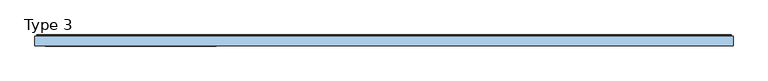
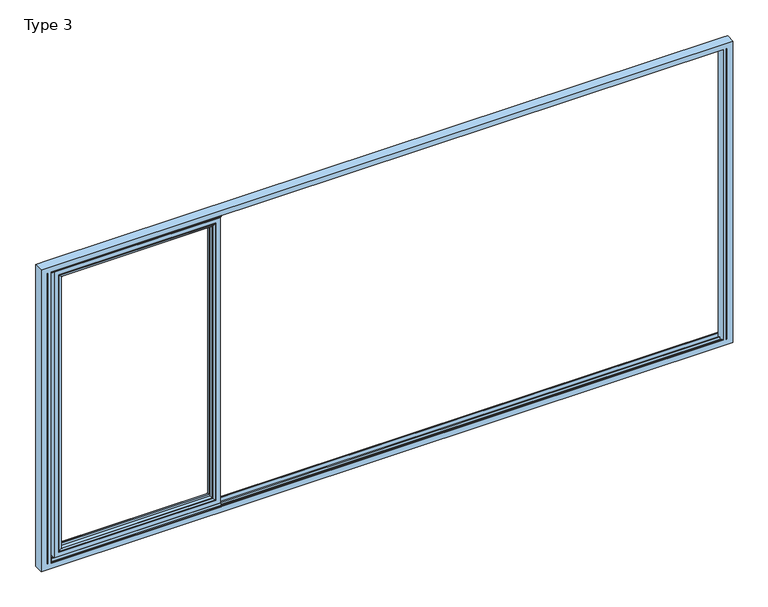
"""IFC4 building model written with IfcOpenShell, lengths in millimetres: window geometry, Type 3."""

from ifc_helpers import new_model, si_unit, point, frame, frame_2d, origin, place, context, project, spatial, polyline, circle_curve, ellipse_curve, trimmed, segment, composite_curve, outline, extrude, source, transform, mapped, element, save
from ifc_brep_helpers import plane_surface, cylinder_surface, advanced_brep


def type_3_df48b3a0(model_context):
    return source(origin(), model_context, "Body", "SolidModel", [
        advanced_brep(
        [(-1303.4245728, -64.5552044, 2283.0004272), (-1303.4245728, -37.9928974, 2283.0004272), (-1303.4245728, -37.9928974, 128.9995728), (-1303.4245728, -64.5552044, 128.9995728), (-1281.425, -37.9928974, 2305.0), (-1281.425, -37.9928974, 107.0), (-2459.5, -37.9928974, 107.0), (-2459.5, -37.9928974, 2305.0), (-2437.5004272, -37.9928974, 2283.0004272), (-2437.5004272, -37.9928974, 128.9995728), (-2437.5004272, -64.5552044, 128.9995728), (-1302.7150293, -65.8045072, 2283.7099707), (-1302.7150293, -65.8045072, 128.2900293), (-2438.2099707, -65.8045072, 128.2900293), (-1287.424939, -70.0, 2299.000061), (-1287.424939, -70.0, 112.999939), (-2453.500061, -70.0, 112.999939), (-2459.5, -70.0, 2305.0), (-2459.5, -70.0, 107.0), (-1281.425, -70.0, 107.0), (-1281.425, -70.0, 2305.0), (-2453.500061, -70.0, 2299.000061), (-2437.5004272, -64.5552044, 2283.0004272), (-2438.2099707, -65.8045072, 2283.7099707)],
        [
            (0, 1),
            (1, 2),
            (2, 3),
            (3, 0),
            (4, 5),
            (5, 6),
            (6, 7),
            (7, 4),
            (8, 9),
            (9, 2),
            (1, 8),
            (9, 10),
            (10, 3),
            (11, 0, ellipse_curve(frame((-1301.9699688, -64.5552044, 2284.4550312), z_axis=(0.7071067811865475, 0.0, -0.7071067811865475), x_axis=(0.7071067811865474, 0.0, 0.7071067811865476)), 2.0571207, 1.454604)),
            (3, 12, ellipse_curve(frame((-1301.9699688, -64.5552044, 127.5449688), z_axis=(0.7071067811865475, 0.0, 0.7071067811865475), x_axis=(-0.7071067811865474, 0.0, 0.7071067811865476)), 2.0571207, 1.454604)),
            (12, 11),
            (10, 13, ellipse_curve(frame((-2438.9550312, -64.5552044, 127.5449688), z_axis=(0.7071067811865475, 0.0, -0.7071067811865475), x_axis=(0.7071067811865476, 0.0, 0.7071067811865474)), 2.0571207, 1.454604)),
            (13, 12),
            (14, 11, ellipse_curve(frame((-1287.4888746, -40.2735922, 2298.9361254), z_axis=(0.7071067811865475, 0.0, -0.7071067811865475), x_axis=(0.7071067811865474, 0.0, 0.7071067811865476)), 42.0395863, 29.7264765)),
            (12, 15, ellipse_curve(frame((-1287.4888746, -40.2735922, 113.0638746), z_axis=(0.7071067811865475, 0.0, 0.7071067811865475), x_axis=(-0.7071067811865474, 0.0, 0.7071067811865476)), 42.0395863, 29.7264765)),
            (15, 14),
            (13, 16, ellipse_curve(frame((-2453.4361254, -40.2735922, 113.0638746), z_axis=(0.7071067811865475, 0.0, -0.7071067811865475), x_axis=(0.7071067811865476, 0.0, 0.7071067811865474)), 42.0395863, 29.7264765)),
            (16, 15),
            (17, 18),
            (18, 19),
            (19, 20),
            (20, 17),
            (16, 21),
            (21, 14),
            (4, 20),
            (19, 5),
            (18, 6),
            (8, 22),
            (22, 10),
            (22, 23, ellipse_curve(frame((-2438.9550312, -64.5552044, 2284.4550312), z_axis=(-0.7071067811865475, 0.0, -0.7071067811865475), x_axis=(0.7071067811865474, 0.0, -0.7071067811865476)), 2.0571207, 1.454604)),
            (23, 13),
            (23, 21, ellipse_curve(frame((-2453.4361254, -40.2735922, 2298.9361254), z_axis=(-0.7071067811865475, 0.0, -0.7071067811865475), x_axis=(0.7071067811865474, 0.0, -0.7071067811865476)), 42.0395863, 29.7264765)),
            (17, 7),
            (0, 22),
            (11, 23),
        ],
        [
            plane_surface(frame((-1303.4245728, -37.9928974, 2283.0004272), z_axis=(-1.0, 0.0, 0.0), x_axis=(0.0, 0.0, -1.0))),
            plane_surface(frame((-2459.5, -37.9928974, 107.0), z_axis=(0.0, 1.0, 0.0), x_axis=(0.0, 0.0, 1.0))),
            plane_surface(frame((-1303.4245728, -37.9928974, 128.9995728), z_axis=(0.0, 0.0, 1.0), x_axis=(-1.0, 0.0, 0.0))),
            cylinder_surface(frame((-1301.9699688, -64.5552044, 2283.0004272), z_axis=(0.0, 0.0, 1.0), x_axis=(1.0, 0.0, 0.0)), 1.454604),
            cylinder_surface(frame((-1303.4245728, -64.5552044, 127.5449688), z_axis=(1.0, 0.0, 0.0), x_axis=(0.0, 0.0, -1.0)), 1.454604),
            cylinder_surface(frame((-1287.4888746, -40.2735922, 2283.0004272), z_axis=(0.0, 0.0, 1.0), x_axis=(1.0, 0.0, 0.0)), 29.7264765),
            cylinder_surface(frame((-1303.4245728, -40.2735922, 113.0638746), z_axis=(1.0, 0.0, 0.0), x_axis=(0.0, 0.0, -1.0)), 29.7264765),
            plane_surface(frame((-2453.500061, -70.0, 112.999939), z_axis=(0.0, -1.0, 0.0), x_axis=(0.0, 0.0, 1.0))),
            plane_surface(frame((-1281.425, -70.0, 2305.0), z_axis=(1.0, 0.0, 0.0), x_axis=(0.0, 0.0, -1.0))),
            plane_surface(frame((-1281.425, -70.0, 107.0), z_axis=(0.0, 0.0, -1.0), x_axis=(-1.0, 0.0, 0.0))),
            plane_surface(frame((-2437.5004272, -37.9928974, 128.9995728), z_axis=(1.0, 0.0, 0.0), x_axis=(0.0, 0.0, 1.0))),
            cylinder_surface(frame((-2438.9550312, -64.5552044, 128.9995728), z_axis=(0.0, 0.0, -1.0), x_axis=(-1.0, 0.0, 0.0)), 1.454604),
            cylinder_surface(frame((-2453.4361254, -40.2735922, 128.9995728), z_axis=(0.0, 0.0, -1.0), x_axis=(-1.0, 0.0, 0.0)), 29.7264765),
            plane_surface(frame((-2459.5, -70.0, 107.0), z_axis=(-1.0, 0.0, 0.0), x_axis=(0.0, 0.0, 1.0))),
            plane_surface(frame((-2437.5004272, -37.9928974, 2283.0004272), z_axis=(0.0, 0.0, -1.0), x_axis=(1.0, 0.0, 0.0))),
            cylinder_surface(frame((-2437.5004272, -64.5552044, 2284.4550312), z_axis=(-1.0, 0.0, 0.0), x_axis=(0.0, 0.0, 1.0)), 1.454604),
            cylinder_surface(frame((-2437.5004272, -40.2735922, 2298.9361254), z_axis=(-1.0, 0.0, 0.0), x_axis=(0.0, 0.0, 1.0)), 29.7264765),
            plane_surface(frame((-2459.5, -70.0, 2305.0), z_axis=(0.0, 0.0, 1.0), x_axis=(1.0, 0.0, 0.0))),
        ],
        [
            (0, [[1, 2, 3, 4]]),
            (1, [[5, 6, 7, 8], [9, 10, -2, 11]]),
            (2, [[-3, -10, 12, 13]]),
            (3, [[14, -4, 15, 16]]),
            (4, [[-15, -13, 17, 18]]),
            (5, [[19, -16, 20, 21]]),
            (6, [[-20, -18, 22, 23]]),
            (7, [[24, 25, 26, 27], [-21, -23, 28, 29]]),
            (8, [[30, -26, 31, -5]]),
            (9, [[-31, -25, 32, -6]]),
            (10, [[-12, -9, 33, 34]]),
            (11, [[-17, -34, 35, 36]]),
            (12, [[-22, -36, 37, -28]]),
            (13, [[-32, -24, 38, -7]]),
            (14, [[-33, -11, -1, 39]]),
            (15, [[-35, -39, -14, 40]]),
            (16, [[-37, -40, -19, -29]]),
            (17, [[-38, -27, -30, -8]]),
        ],
    ),
        advanced_brep(
        [(-2491.5, -70.0, 2337.0), (-2491.5, 0.0, 2337.0), (-2491.5, 0.0, 75.0), (-2491.5, -70.0, 75.0), (-1249.425, 0.0, 75.0), (-1249.425, -70.0, 75.0), (-1249.425, 0.0, 2337.0), (-1298.9241901, 0.0, 124.4991901), (-1298.9241901, 0.0, 2287.5008099), (-2442.0008099, 0.0, 2287.5008099), (-2442.0008099, 0.0, 124.4991901), (-1249.425, -70.0, 2337.0), (-2459.5, -70.0, 107.0), (-2459.5, -70.0, 2305.0), (-1281.425, -70.0, 2305.0), (-1281.425, -70.0, 107.0), (-2459.5, -13.999939, 2305.0), (-2459.5, -13.999939, 107.0), (-1281.425, -13.999939, 107.0), (-1281.425, -13.999939, 2305.0), (-2437.5004272, -13.999939, 128.9995728), (-2437.5004272, -13.999939, 2283.0004272), (-1303.4245728, -13.999939, 2283.0004272), (-1303.4245728, -13.999939, 128.9995728), (-2437.5004272, -4.5004435, 2283.0004272), (-2437.5004272, -4.5004435, 128.9995728), (-1303.4245728, -4.5004435, 128.9995728), (-1303.4245728, -4.5004435, 2283.0004272)],
        [
            (0, 1),
            (1, 2),
            (2, 3),
            (3, 0),
            (2, 4),
            (4, 5),
            (5, 3),
            (1, 6),
            (6, 4),
            (7, 8),
            (8, 9),
            (9, 10),
            (10, 7),
            (6, 11),
            (11, 5),
            (11, 0),
            (12, 13),
            (13, 14),
            (14, 15),
            (15, 12),
            (16, 13),
            (12, 17),
            (17, 16),
            (15, 18),
            (18, 17),
            (14, 19),
            (19, 18),
            (19, 16),
            (20, 21),
            (21, 22),
            (22, 23),
            (23, 20),
            (24, 21),
            (20, 25),
            (25, 24),
            (23, 26),
            (26, 25),
            (22, 27),
            (27, 26),
            (10, 25, ellipse_curve(frame((-2442.0008099, -4.5004435, 124.4991901), z_axis=(0.7071067811865475, 0.0, -0.7071067811865475), x_axis=(-0.7071067811865476, 0.0, -0.7071067811865474)), 6.3645023, 4.5003827)),
            (26, 7, ellipse_curve(frame((-1298.9241901, -4.5004435, 124.4991901), z_axis=(-0.7071067811865475, 0.0, -0.7071067811865475), x_axis=(-0.7071067811865476, 0.0, 0.7071067811865474)), 6.3645023, 4.5003827)),
            (9, 24, ellipse_curve(frame((-2442.0008099, -4.5004435, 2287.5008099), z_axis=(-0.7071067811865475, 0.0, -0.7071067811865475), x_axis=(-0.7071067811865474, 0.0, 0.7071067811865476)), 6.3645023, 4.5003827)),
            (27, 8, ellipse_curve(frame((-1298.9241901, -4.5004435, 2287.5008099), z_axis=(0.7071067811865475, 0.0, -0.7071067811865475), x_axis=(-0.7071067811865474, 0.0, -0.7071067811865476)), 6.3645023, 4.5003827)),
            (24, 27),
        ],
        [
            plane_surface(frame((-2491.5, 0.0, 2337.0), z_axis=(-1.0, 0.0, 0.0), x_axis=(0.0, 0.0, -1.0))),
            plane_surface(frame((-2491.5, 0.0, 75.0), z_axis=(0.0, 0.0, -1.0), x_axis=(1.0, 0.0, 0.0))),
            plane_surface(frame((-2442.0008099, 0.0, 2287.5008099), z_axis=(0.0, 1.0, 0.0), x_axis=(0.0, 0.0, -1.0))),
            plane_surface(frame((-1249.425, 0.0, 75.0), z_axis=(1.0, 0.0, 0.0), x_axis=(0.0, 0.0, 1.0))),
            plane_surface(frame((-2491.5, -70.0, 2337.0), z_axis=(0.0, -1.0, 0.0), x_axis=(0.0, 0.0, -1.0))),
            plane_surface(frame((-2459.5, -70.0, 2305.0), z_axis=(1.0, 0.0, 0.0), x_axis=(0.0, 0.0, -1.0))),
            plane_surface(frame((-2459.5, -70.0, 107.0), z_axis=(0.0, 0.0, 1.0), x_axis=(1.0, 0.0, 0.0))),
            plane_surface(frame((-1281.425, -70.0, 107.0), z_axis=(-1.0, 0.0, 0.0), x_axis=(0.0, 0.0, 1.0))),
            plane_surface(frame((-2459.5, -13.999939, 2305.0), z_axis=(0.0, -1.0, 0.0), x_axis=(0.0, 0.0, -1.0))),
            plane_surface(frame((-2437.5004272, -13.999939, 2283.0004272), z_axis=(1.0, 0.0, 0.0), x_axis=(0.0, 0.0, -1.0))),
            plane_surface(frame((-2437.5004272, -13.999939, 128.9995728), z_axis=(0.0, 0.0, 1.0), x_axis=(1.0, 0.0, 0.0))),
            plane_surface(frame((-1303.4245728, -13.999939, 128.9995728), z_axis=(-1.0, 0.0, 0.0), x_axis=(0.0, 0.0, 1.0))),
            cylinder_surface(frame((-2497.5, -4.5004435, 124.4991901), z_axis=(-1.0, 0.0, 0.0), x_axis=(0.0, -1.0, 0.0)), 4.5003827),
            cylinder_surface(frame((-2442.0008099, -4.5004435, 2343.0), z_axis=(0.0, 0.0, 1.0), x_axis=(0.0, -1.0, 0.0)), 4.5003827),
            cylinder_surface(frame((-1298.9241901, -4.5004435, 69.0), z_axis=(0.0, 0.0, -1.0), x_axis=(0.0, -1.0, 0.0)), 4.5003827),
            plane_surface(frame((-1249.425, 0.0, 2337.0), z_axis=(0.0, 0.0, 1.0), x_axis=(-1.0, 0.0, 0.0))),
            plane_surface(frame((-1281.425, -70.0, 2305.0), z_axis=(0.0, 0.0, -1.0), x_axis=(-1.0, 0.0, 0.0))),
            plane_surface(frame((-1303.4245728, -13.999939, 2283.0004272), z_axis=(0.0, 0.0, -1.0), x_axis=(-1.0, 0.0, 0.0))),
            cylinder_surface(frame((-1243.425, -4.5004435, 2287.5008099), z_axis=(1.0, 0.0, 0.0), x_axis=(0.0, -1.0, 0.0)), 4.5003827),
        ],
        [
            (0, [[1, 2, 3, 4]]),
            (1, [[-3, 5, 6, 7]]),
            (2, [[-2, 8, 9, -5], [10, 11, 12, 13]]),
            (3, [[-6, -9, 14, 15]]),
            (4, [[-15, 16, -4, -7], [17, 18, 19, 20]]),
            (5, [[21, -17, 22, 23]]),
            (6, [[-22, -20, 24, 25]]),
            (7, [[-24, -19, 26, 27]]),
            (8, [[-27, 28, -23, -25], [29, 30, 31, 32]]),
            (9, [[33, -29, 34, 35]]),
            (10, [[-34, -32, 36, 37]]),
            (11, [[-36, -31, 38, 39]]),
            (12, [[40, -37, 41, -13]]),
            (13, [[42, -35, -40, -12]]),
            (14, [[-41, -39, 43, -10]]),
            (15, [[-14, -8, -1, -16]]),
            (16, [[-26, -18, -21, -28]]),
            (17, [[-38, -30, -33, 44]]),
            (18, [[-43, -44, -42, -11]]),
        ],
    ),
        extrude(outline(polyline([(-2514.0, -7.6000076), (-2514.0, 0.0), (-1243.425, 0.0), (-1243.425, -7.6000076), (-2514.0, -7.6000076)])), frame((0.0, 0.0, 52.9995117), z_axis=(0.0, 0.0, 1.0), x_axis=(1.0, 0.0, 0.0)), (0.0, 0.0, 1.0), 22.0004883),
        extrude(outline(composite_curve([segment(polyline([(-70.0, 45.0), (-70.0, 41.2896854), (-70.8737, 41.2896854), (-71.8670103, 44.9870904)]), True, "CONTINUOUS"), segment(trimmed(circle_curve(frame_2d((-69.9354978, 45.5059925)), 2.0), [point((-71.8670103, 44.9870904))], [point((-71.8566157, 46.0621453))], False, "CARTESIAN"), True, "CONTINUOUS"), segment(polyline([(-71.8566157, 46.0621453), (-70.0, 52.4754501), (-70.0, 75.0), (-62.2757497, 75.0), (-62.2757497, 45.0), (-70.0, 45.0)]), True, "CONTINUOUS")], self_intersect=False)), frame((-2514.0, 0.0, 0.0), z_axis=(1.0, 0.0, 0.0), x_axis=(0.0, 1.0, 0.0)), (0.0, 0.0, 1.0), 1270.575),
        extrude(outline(composite_curve([segment(polyline([(-52.044326, 2339.1400778), (-52.044326, 2337.0), (-70.0, 2337.0), (-71.8735116, 2343.9547971)]), True, "CONTINUOUS"), segment(trimmed(circle_curve(frame_2d((-69.9423544, 2344.4750201)), 2.0), [point((-71.8735116, 2343.9547971))], [point((-71.8738669, 2344.9939222))], False, "CARTESIAN"), True, "CONTINUOUS"), segment(polyline([(-71.8738669, 2344.9939222), (-70.8937897, 2348.6420698), (-70.0, 2348.6420698), (-70.0, 2342.963961), (-68.6363596, 2339.1400778), (-52.044326, 2339.1400778)]), True, "CONTINUOUS")], self_intersect=False)), frame((-2514.0, 0.0, 0.0), z_axis=(1.0, 0.0, 0.0), x_axis=(0.0, 1.0, 0.0)), (0.0, 0.0, 1.0), 1270.575),
        advanced_brep(
        [(-2545.0, -70.0, 45.0), (-2545.0, -66.5, 45.0), (-2545.0, -66.4999084, 2345.0), (-2545.0, -70.0, 2345.0), (-2540.0003662, -70.0, 45.0), (-2540.0003662, -66.5, 45.0), (2545.0, -70.0, 45.0), (2545.0, -66.5, 45.0), (2540.0003662, -66.4999084, 45.0), (2540.0003662, -70.0, 45.0), (-2514.0001526, -66.5, 45.0), (-2514.0001526, -70.0, 45.0), (2518.7961345, -70.0, 45.0), (2518.7961345, -66.5, 45.0), (-2590.0, -70.0, 2390.0), (-2590.0, -70.0, 0.0), (2590.0, -70.0, 0.0), (2590.0, -70.0, 2390.0), (-2540.0003662, -70.0, 2345.0), (2545.0, -70.0, 2345.0), (2540.0003662, -70.0, 2345.0), (-2514.0001526, -70.0, 2345.0), (2518.7961345, -70.0, 2345.0), (-2540.0003662, -66.5, 2345.0), (2545.0, -66.5, 2345.0), (2540.0003662, -66.4999084, 2345.0), (-2514.0001526, -66.5, 24.0002136), (-2514.0001526, -55.8499756, 24.0002136), (-2514.0001526, -55.8499756, 40.999939), (-2514.0001526, -46.25, 40.999939), (-2514.0001526, -46.25, 24.0002136), (-2514.0001526, -23.7500839, 24.0002136), (-2514.0001526, -23.7500839, 40.999939), (-2514.0001526, -14.1501312, 40.999939), (-2514.0001526, -14.1501312, 24.0002136), (-2514.0001526, 0.0, 24.0002136), (-2514.0001526, 0.0, 59.9999084), (-2514.0001526, 0.0, 2330.0000916), (-2514.0001526, 0.0, 2365.9997864), (-2514.0001526, -14.1501312, 2365.9997864), (-2514.0001526, -14.1501312, 2349.000061), (-2514.0001526, -23.7500839, 2349.000061), (-2514.0001526, -23.7500839, 2365.9997864), (-2514.0001526, -46.25, 2365.9997864), (-2514.0001526, -46.25, 2349.000061), (-2514.0001526, -55.8499756, 2349.000061), (-2514.0001526, -55.8499756, 2365.9997864), (-2514.0001526, -66.5, 2365.9997864), (-2514.0001526, -66.5, 2345.0), (2518.7961345, -66.5, 2345.0), (2518.7961345, -66.5, 2365.9997864), (2518.7961345, -55.8499756, 2365.9997864), (2518.7961345, -55.8499756, 2349.000061), (2518.7961345, -46.25, 2349.000061), (2518.7961345, -46.25, 2365.9997864), (2518.7961345, -23.7500839, 2365.9997864), (2518.7961345, -23.7500839, 2349.000061), (2518.7961345, -14.1501312, 2349.000061), (2518.7961345, -14.1501312, 2365.9997864), (2518.7961345, 0.0, 2365.9997864), (2518.7961345, 0.0, 2330.0000916), (2518.7961345, 0.0, 59.9999084), (2518.7961345, 0.0, 24.0002136), (2518.7961345, -14.1501312, 24.0002136), (2518.7961345, -14.1501312, 40.999939), (2518.7961345, -23.7500839, 40.999939), (2518.7961345, -23.7500839, 24.0002136), (2518.7961345, -46.25, 24.0002136), (2518.7961345, -46.25, 40.999939), (2518.7961345, -55.8499756, 40.999939), (2518.7961345, -55.8499756, 24.0002136), (2518.7961345, -66.5, 24.0002136), (-2590.0, 0.0, 0.0), (-2565.9997864, 0.0, 0.0), (-2514.0001526, 0.0, 0.0), (2518.7961345, 0.0, 0.0), (2565.9997864, 0.0, 0.0), (2590.0, 0.0, 0.0), (-2590.0, 0.0, 2390.0), (-2565.9997864, 0.0, 2390.0), (-2514.0001526, 0.0, 2390.0), (2518.7961345, 0.0, 2390.0), (2565.9997864, 0.0, 2390.0), (2590.0, 0.0, 2390.0), (-2577.999939, 0.0, 2377.999939), (-2577.999939, 0.0, 12.000061), (-2565.9997864, 0.0, 12.000061), (-2514.0001526, 0.0, 12.000061), (2518.7961345, 0.0, 12.000061), (2565.9997864, 0.0, 12.000061), (2577.999939, 0.0, 12.000061), (2577.999939, 0.0, 2377.999939), (2565.9997864, 0.0, 2377.999939), (2518.7961345, 0.0, 2377.999939), (-2514.0001526, 0.0, 2377.999939), (-2565.9997864, 0.0, 2377.999939), (-2530.0000916, 0.0, 59.9999084), (-2530.0000916, 7.4999847, 59.9999084), (-2530.0000916, 7.4999847, 2330.0000916), (-2530.0000916, 0.0, 2330.0000916), (2530.0000916, 0.0, 59.9999084), (2530.0000916, 7.4999847, 59.9999084), (2530.0000916, 0.0, 2330.0000916), (2530.0000916, 7.4999847, 2330.0000916), (2532.5000916, 9.9999847, 57.4999084), (-2532.5000916, 9.9999847, 57.4999084), (-2577.999939, 5.4999847, 12.000061), (-2577.999939, 5.4999847, 2377.999939), (2577.999939, 5.4999847, 12.000061), (-2573.499939, 9.9999847, 16.500061), (2573.499939, 9.9999847, 16.500061), (2577.999939, 5.4999847, 2377.999939), (-2532.5000916, 9.9999847, 2332.5000916), (-2573.499939, 9.9999847, 2373.499939), (2532.5000916, 9.9999847, 2332.5000916), (2573.499939, 9.9999847, 2373.499939)],
        [
            (0, 1),
            (1, 2),
            (2, 3),
            (3, 0),
            (0, 4),
            (4, 5),
            (5, 1),
            (6, 7),
            (7, 8),
            (8, 9),
            (9, 6),
            (10, 11),
            (11, 12),
            (12, 13),
            (13, 10),
            (14, 15),
            (15, 16),
            (16, 17),
            (17, 14),
            (3, 18),
            (18, 4),
            (19, 6),
            (9, 20),
            (20, 19),
            (21, 22),
            (22, 12),
            (11, 21),
            (18, 23),
            (23, 5),
            (23, 2),
            (19, 24),
            (24, 7),
            (25, 8),
            (24, 25),
            (25, 20),
            (10, 26),
            (26, 27),
            (27, 28),
            (28, 29),
            (29, 30),
            (30, 31),
            (31, 32),
            (32, 33),
            (33, 34),
            (34, 35),
            (35, 36),
            (36, 37),
            (37, 38),
            (38, 39),
            (39, 40),
            (40, 41),
            (41, 42),
            (42, 43),
            (43, 44),
            (44, 45),
            (45, 46),
            (46, 47),
            (47, 48),
            (48, 21),
            (22, 49),
            (49, 50),
            (50, 51),
            (51, 52),
            (52, 53),
            (53, 54),
            (54, 55),
            (55, 56),
            (56, 57),
            (57, 58),
            (58, 59),
            (59, 60),
            (60, 61),
            (61, 62),
            (62, 63),
            (63, 64),
            (64, 65),
            (65, 66),
            (66, 67),
            (67, 68),
            (68, 69),
            (69, 70),
            (70, 71),
            (71, 13),
            (71, 26),
            (47, 50),
            (49, 48),
            (15, 72),
            (72, 73),
            (73, 74),
            (74, 75),
            (75, 76),
            (76, 77),
            (77, 16),
            (14, 78),
            (78, 72),
            (78, 79),
            (79, 80),
            (80, 81),
            (81, 82),
            (82, 83),
            (83, 77),
            (84, 85),
            (85, 86),
            (86, 87),
            (87, 88),
            (88, 89),
            (89, 90),
            (90, 91),
            (91, 92),
            (92, 93),
            (93, 94),
            (94, 95),
            (95, 84),
            (83, 17),
            (70, 27),
            (69, 28),
            (45, 52),
            (51, 46),
            (68, 29),
            (67, 30),
            (43, 54),
            (53, 44),
            (66, 31),
            (65, 32),
            (41, 56),
            (55, 42),
            (64, 33),
            (63, 34),
            (39, 58),
            (57, 40),
            (62, 35),
            (61, 36),
            (37, 60),
            (59, 38),
            (96, 97),
            (97, 98),
            (98, 99),
            (99, 96),
            (96, 36),
            (61, 100),
            (100, 101),
            (101, 97),
            (99, 37),
            (60, 102),
            (102, 100),
            (102, 103),
            (103, 101),
            (101, 104, ellipse_curve(frame((2532.5000916, 7.4999847, 57.4999084), z_axis=(-0.7071067811865498, 0.0, -0.7071067811865451), x_axis=(-0.7071067811865452, 0.0, 0.7071067811865497)), 3.5355339, 2.5)),
            (104, 105),
            (105, 97, ellipse_curve(frame((-2532.5000916, 7.4999847, 57.4999084), z_axis=(0.7071067811865451, 0.0, -0.7071067811865498), x_axis=(-0.70710678118655, 0.0, -0.7071067811865451)), 3.5355339, 2.5)),
            (106, 85),
            (84, 107),
            (107, 106),
            (106, 108),
            (108, 90),
            (106, 109, ellipse_curve(frame((-2573.499939, 5.4999847, 16.500061), z_axis=(0.7071067811865451, 0.0, -0.7071067811865498), x_axis=(-0.70710678118655, 0.0, -0.7071067811865451)), 6.363961, 4.5)),
            (109, 110),
            (110, 108, ellipse_curve(frame((2573.499939, 5.4999847, 16.500061), z_axis=(-0.7071067811865498, 0.0, -0.7071067811865451), x_axis=(-0.7071067811865452, 0.0, 0.7071067811865497)), 6.363961, 4.5)),
            (108, 111),
            (111, 91),
            (105, 112),
            (112, 98, ellipse_curve(frame((-2532.5000916, 7.4999847, 2332.5000916), z_axis=(-0.7071067811865498, 0.0, -0.7071067811865451), x_axis=(-0.7071067811865451, 0.0, 0.70710678118655)), 3.5355339, 2.5)),
            (107, 113, ellipse_curve(frame((-2573.499939, 5.4999847, 2373.499939), z_axis=(-0.7071067811865498, 0.0, -0.7071067811865451), x_axis=(-0.7071067811865451, 0.0, 0.70710678118655)), 6.363961, 4.5)),
            (113, 109),
            (103, 114, ellipse_curve(frame((2532.5000916, 7.4999847, 2332.5000916), z_axis=(0.7071067811865451, 0.0, -0.7071067811865498), x_axis=(-0.7071067811865497, 0.0, -0.7071067811865452)), 3.5355339, 2.5)),
            (114, 104),
            (110, 115),
            (115, 111, ellipse_curve(frame((2573.499939, 5.4999847, 2373.499939), z_axis=(0.7071067811865451, 0.0, -0.7071067811865498), x_axis=(-0.7071067811865497, 0.0, -0.7071067811865452)), 6.363961, 4.5)),
            (113, 115),
            (114, 112),
            (98, 103),
            (111, 107),
        ],
        [
            plane_surface(frame((-2545.0, -70.0, 2345.0), z_axis=(1.0, 0.0, 0.0), x_axis=(0.0, 0.0, -1.0))),
            plane_surface(frame((-2545.0, -70.0, 45.0), z_axis=(0.0, 0.0, 1.0), x_axis=(1.0, 0.0, 0.0))),
            plane_surface(frame((2590.0, -70.0, 2390.0), z_axis=(0.0, -1.0, 0.0), x_axis=(-1.0, 0.0, 0.0))),
            plane_surface(frame((-2540.0003662, -66.4999084, 2390.0), z_axis=(-1.0, 0.0, 0.0), x_axis=(0.0, 0.0, -1.0))),
            plane_surface(frame((-2565.9997864, -66.4999084, 2390.0), z_axis=(0.0, -1.0, 0.0), x_axis=(0.0, 0.0, -1.0))),
            plane_surface(frame((2545.0, -70.0, 45.0), z_axis=(-1.0, 0.0, 0.0), x_axis=(0.0, 0.0, 1.0))),
            plane_surface(frame((2540.0003662, -66.4999084, 2390.0), z_axis=(0.0, -1.0, 0.0), x_axis=(0.0, 0.0, -1.0))),
            plane_surface(frame((2540.0003662, -70.0, 2390.0), z_axis=(1.0, 0.0, 0.0), x_axis=(0.0, 0.0, -1.0))),
            plane_surface(frame((-2514.0001526, -70.0, 2390.0), z_axis=(1.0, 0.0, 0.0), x_axis=(0.0, 0.0, -1.0))),
            plane_surface(frame((2518.7961345, 0.0, 2390.0), z_axis=(-1.0, 0.0, 0.0), x_axis=(0.0, 0.0, -1.0))),
            plane_surface(frame((2545.0, -66.5, 2345.0), z_axis=(0.0, 1.0, 0.0), x_axis=(-1.0, 0.0, 0.0))),
            plane_surface(frame((-2590.0, 0.0, 0.0), z_axis=(0.0, 0.0, -1.0), x_axis=(1.0, 0.0, 0.0))),
            plane_surface(frame((-2590.0, 0.0, 2390.0), z_axis=(-1.0, 0.0, 0.0), x_axis=(0.0, 0.0, -1.0))),
            plane_surface(frame((2577.999939, 0.0, 2377.999939), z_axis=(0.0, 1.0, 0.0), x_axis=(-1.0, 0.0, 0.0))),
            plane_surface(frame((2590.0, 0.0, 0.0), z_axis=(1.0, 0.0, 0.0), x_axis=(0.0, 0.0, 1.0))),
            plane_surface(frame((-2565.9997864, -66.5, 24.0002136), z_axis=(0.0, 0.0, 1.0), x_axis=(1.0, 0.0, 0.0))),
            plane_surface(frame((2565.9997864, -55.8499756, 2365.9997864), z_axis=(0.0, -1.0, 0.0), x_axis=(-1.0, 0.0, 0.0))),
            plane_surface(frame((-2549.000061, -55.8499756, 40.999939), z_axis=(0.0, 0.0, 1.0), x_axis=(1.0, 0.0, 0.0))),
            plane_surface(frame((2549.000061, -46.25, 2349.000061), z_axis=(0.0, 1.0, 0.0), x_axis=(-1.0, 0.0, 0.0))),
            plane_surface(frame((-2565.9997864, -46.25, 24.0002136), z_axis=(0.0, 0.0, 1.0), x_axis=(1.0, 0.0, 0.0))),
            plane_surface(frame((2565.9997864, -23.7500839, 2365.9997864), z_axis=(0.0, -1.0, 0.0), x_axis=(-1.0, 0.0, 0.0))),
            plane_surface(frame((-2549.000061, -23.7500839, 40.999939), z_axis=(0.0, 0.0, 1.0), x_axis=(1.0, 0.0, 0.0))),
            plane_surface(frame((2549.000061, -14.1501312, 2349.000061), z_axis=(0.0, 1.0, 0.0), x_axis=(-1.0, 0.0, 0.0))),
            plane_surface(frame((-2565.9997864, -14.1501312, 24.0002136), z_axis=(0.0, 0.0, 1.0), x_axis=(1.0, 0.0, 0.0))),
            plane_surface(frame((2565.9997864, 0.0, 2365.9997864), z_axis=(0.0, -1.0, 0.0), x_axis=(-1.0, 0.0, 0.0))),
            plane_surface(frame((-2530.0000916, 0.0, 2330.0000916), z_axis=(1.0, 0.0, 0.0), x_axis=(0.0, 0.0, -1.0))),
            plane_surface(frame((-2530.0000916, 0.0, 59.9999084), z_axis=(0.0, 0.0, 1.0), x_axis=(1.0, 0.0, 0.0))),
            plane_surface(frame((-2514.0001526, 0.0, 2390.0), z_axis=(0.0, 1.0, 0.0), x_axis=(0.0, 0.0, -1.0))),
            plane_surface(frame((2565.9997864, 0.0, 2390.0), z_axis=(0.0, 1.0, 0.0), x_axis=(0.0, 0.0, -1.0))),
            plane_surface(frame((2530.0000916, 0.0, 59.9999084), z_axis=(-1.0, 0.0, 0.0), x_axis=(0.0, 0.0, 1.0))),
            cylinder_surface(frame((-2590.0, 7.4999847, 57.4999084), z_axis=(-1.0, 0.0, 0.0), x_axis=(0.0, 0.0, 1.0)), 2.5),
            plane_surface(frame((-2577.999939, 5.4999847, 2377.999939), z_axis=(-1.0, 0.0, 0.0), x_axis=(0.0, 0.0, -1.0))),
            plane_surface(frame((-2577.999939, 5.4999847, 12.000061), z_axis=(0.0, 0.0, -1.0), x_axis=(1.0, 0.0, 0.0))),
            cylinder_surface(frame((-2590.0, 5.4999847, 16.500061), z_axis=(-1.0, 0.0, 0.0), x_axis=(0.0, 0.0, 1.0)), 4.5),
            plane_surface(frame((2577.999939, 5.4999847, 12.000061), z_axis=(1.0, 0.0, 0.0), x_axis=(0.0, 0.0, 1.0))),
            cylinder_surface(frame((-2532.5000916, 7.4999847, 2390.0), z_axis=(0.0, 0.0, 1.0), x_axis=(1.0, 0.0, 0.0)), 2.5),
            cylinder_surface(frame((-2573.499939, 5.4999847, 2390.0), z_axis=(0.0, 0.0, 1.0), x_axis=(1.0, 0.0, 0.0)), 4.5),
            cylinder_surface(frame((2532.5000916, 7.4999847, 0.0), z_axis=(0.0, 0.0, -1.0), x_axis=(-1.0, 0.0, 0.0)), 2.5),
            cylinder_surface(frame((2573.499939, 5.4999847, 0.0), z_axis=(0.0, 0.0, -1.0), x_axis=(-1.0, 0.0, 0.0)), 4.5),
            plane_surface(frame((2532.5000916, 9.9999847, 2332.5000916), z_axis=(0.0, 1.0, 0.0), x_axis=(-1.0, 0.0, 0.0))),
            plane_surface(frame((2590.0, 0.0, 2390.0), z_axis=(0.0, 0.0, 1.0), x_axis=(-1.0, 0.0, 0.0))),
            plane_surface(frame((2545.0, -70.0, 2345.0), z_axis=(0.0, 0.0, -1.0), x_axis=(-1.0, 0.0, 0.0))),
            plane_surface(frame((2530.0000916, 0.0, 2330.0000916), z_axis=(0.0, 0.0, -1.0), x_axis=(-1.0, 0.0, 0.0))),
            plane_surface(frame((2577.999939, 5.4999847, 2377.999939), z_axis=(0.0, 0.0, 1.0), x_axis=(-1.0, 0.0, 0.0))),
            plane_surface(frame((2565.9997864, -66.5, 2365.9997864), z_axis=(0.0, 0.0, -1.0), x_axis=(-1.0, 0.0, 0.0))),
            plane_surface(frame((2549.000061, -55.8499756, 2349.000061), z_axis=(0.0, 0.0, -1.0), x_axis=(-1.0, 0.0, 0.0))),
            plane_surface(frame((2565.9997864, -46.25, 2365.9997864), z_axis=(0.0, 0.0, -1.0), x_axis=(-1.0, 0.0, 0.0))),
            plane_surface(frame((2549.000061, -23.7500839, 2349.000061), z_axis=(0.0, 0.0, -1.0), x_axis=(-1.0, 0.0, 0.0))),
            plane_surface(frame((2565.9997864, -14.1501312, 2365.9997864), z_axis=(0.0, 0.0, -1.0), x_axis=(-1.0, 0.0, 0.0))),
            cylinder_surface(frame((2590.0, 7.4999847, 2332.5000916), z_axis=(1.0, 0.0, 0.0), x_axis=(0.0, 0.0, -1.0)), 2.5),
            cylinder_surface(frame((2590.0, 5.4999847, 2373.499939), z_axis=(1.0, 0.0, 0.0), x_axis=(0.0, 0.0, -1.0)), 4.5),
        ],
        [
            (0, [[1, 2, 3, 4]]),
            (1, [[-1, 5, 6, 7]]),
            (1, [[8, 9, 10, 11]]),
            (1, [[12, 13, 14, 15]]),
            (2, [[16, 17, 18, 19], [-4, 20, 21, -5], [22, -11, 23, 24], [25, 26, -13, 27]]),
            (3, [[-21, 28, 29, -6]]),
            (4, [[-29, 30, -2, -7]]),
            (5, [[-8, -22, 31, 32]]),
            (6, [[33, -9, -32, 34]]),
            (7, [[-23, -10, -33, 35]]),
            (8, [[-27, -12, 36, 37, 38, 39, 40, 41, 42, 43, 44, 45, 46, 47, 48, 49, 50, 51, 52, 53, 54, 55, 56, 57, 58, 59]]),
            (9, [[-26, 60, 61, 62, 63, 64, 65, 66, 67, 68, 69, 70, 71, 72, 73, 74, 75, 76, 77, 78, 79, 80, 81, 82, 83, -14]]),
            (10, [[-36, -15, -83, 84]]),
            (10, [[-58, 85, -61, 86]]),
            (11, [[-17, 87, 88, 89, 90, 91, 92, 93]]),
            (12, [[-87, -16, 94, 95]]),
            (13, [[-95, 96, 97, 98, 99, 100, 101, -92, -91, -90, -89, -88], [102, 103, 104, 105, 106, 107, 108, 109, 110, 111, 112, 113]]),
            (14, [[-93, -101, 114, -18]]),
            (15, [[-37, -84, -82, 115]]),
            (16, [[-38, -115, -81, 116]]),
            (16, [[-56, 117, -63, 118]]),
            (17, [[-39, -116, -80, 119]]),
            (18, [[-40, -119, -79, 120]]),
            (18, [[-54, 121, -65, 122]]),
            (19, [[-41, -120, -78, 123]]),
            (20, [[-42, -123, -77, 124]]),
            (20, [[-52, 125, -67, 126]]),
            (21, [[-43, -124, -76, 127]]),
            (22, [[-44, -127, -75, 128]]),
            (22, [[-50, 129, -69, 130]]),
            (23, [[-45, -128, -74, 131]]),
            (24, [[-46, -131, -73, 132]]),
            (24, [[-48, 133, -71, 134]]),
            (25, [[135, 136, 137, 138]]),
            (26, [[-135, 139, -132, 140, 141, 142]]),
            (27, [[-47, -139, -138, 143]]),
            (28, [[-72, 144, 145, -140]]),
            (29, [[-141, -145, 146, 147]]),
            (30, [[-142, 148, 149, 150]]),
            (31, [[151, -102, 152, 153]]),
            (32, [[-151, 154, 155, -107, -106, -105, -104, -103]]),
            (33, [[-154, 156, 157, 158]]),
            (34, [[-155, 159, 160, -108]]),
            (35, [[-136, -150, 161, 162]]),
            (36, [[-153, 163, 164, -156]]),
            (37, [[-147, 165, 166, -148]]),
            (38, [[-159, -158, 167, 168]]),
            (39, [[169, -167, -157, -164], [-149, -166, 170, -161]]),
            (40, [[-94, -19, -114, -100, -99, -98, -97, -96]]),
            (41, [[-31, -24, -35, -34]]),
            (41, [[-3, -30, -28, -20]]),
            (41, [[-59, -86, -60, -25]]),
            (42, [[-137, 171, -146, -144, -133, -143]]),
            (43, [[-152, -113, -112, -111, -110, -109, -160, 172]]),
            (44, [[-57, -118, -62, -85]]),
            (45, [[-55, -122, -64, -117]]),
            (46, [[-53, -126, -66, -121]]),
            (47, [[-51, -130, -68, -125]]),
            (48, [[-49, -134, -70, -129]]),
            (49, [[-171, -162, -170, -165]]),
            (50, [[-169, -163, -172, -168]]),
        ],
    ),
    ])


if __name__ == "__main__":
    model = new_model("IFC4")
    model_context = context("Model", 3, world=origin())
    ifc_project = project(units=[si_unit("LENGTHUNIT", "METRE", prefix="MILLI")], contexts=[model_context])
    site = spatial("IfcSite", under=ifc_project)
    building = spatial("IfcBuilding", under=site)
    placement = place(None, origin())
    type_3_shape = type_3_df48b3a0(model_context)
    element("IfcWindow", 1, ObjectType="Type 3", at=placement, inside=building, context=model_context, shape_type="MappedRepresentation", body=[
        mapped(type_3_shape, transform((0.0, 0.0, 0.0), x_axis=(1.0, 0.0, 0.0), y_axis=(0.0, 1.0, 0.0), z_axis=(0.0, 0.0, 1.0))),
    ])
    save(model, "model.ifc")
